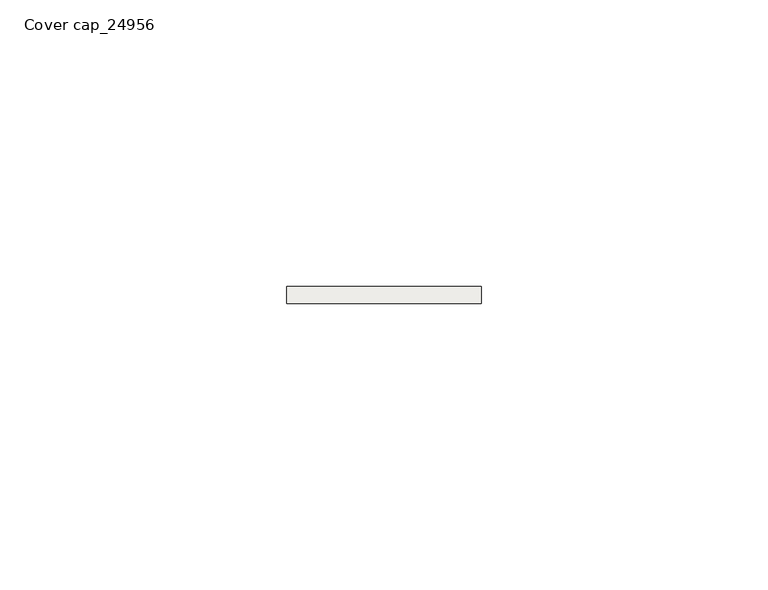
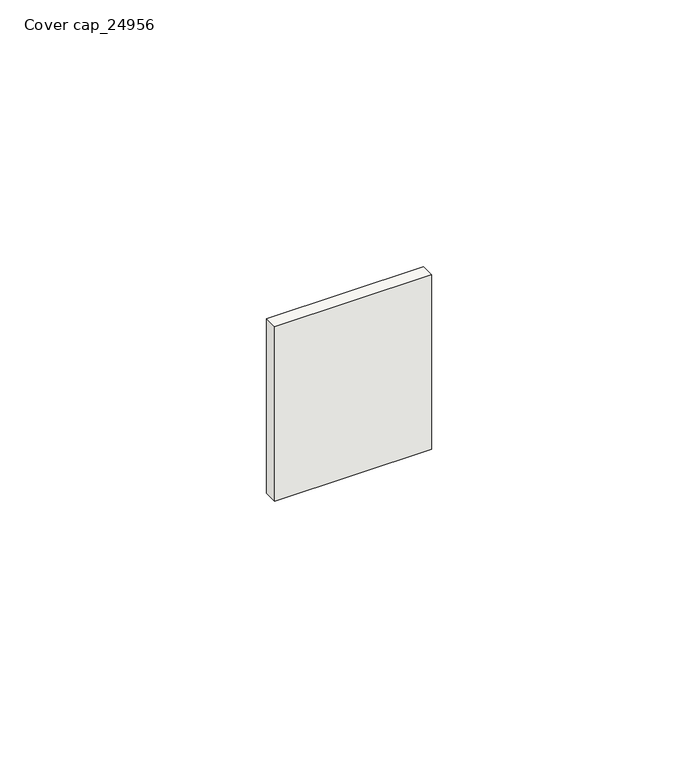
"""IFC4 building model written with IfcOpenShell, lengths in millimetres: covering geometry, Cover cap_24956."""

from ifc_helpers import new_model, si_unit, frame, origin, place, context, project, spatial, polyline, outline, extrude, source, transform, mapped, element, save


def cover_cap_24956_e0cb3eca(model_context):
    return source(origin(), model_context, "Body", "SweptSolid", [
        extrude(outline(polyline([(34.0, 0.0), (34.0, -3.0), (0.0, -3.0), (0.0, 0.0), (34.0, 0.0)])), frame((0.0, 0.0, 2.0), z_axis=(0.0, 0.0, 1.0), x_axis=(1.0, 0.0, 0.0)), (0.0, 0.0, 1.0), 40.0),
    ])


if __name__ == "__main__":
    model = new_model("IFC4")
    model_context = context("Model", 3, world=origin())
    ifc_project = project(units=[si_unit("LENGTHUNIT", "METRE", prefix="MILLI")], contexts=[model_context])
    site = spatial("IfcSite", under=ifc_project)
    building = spatial("IfcBuilding", under=site)
    placement = place(None, origin())
    cover_cap_24956_shape = cover_cap_24956_e0cb3eca(model_context)
    element("IfcCovering", 1, ObjectType="Cover cap_24956", at=placement, inside=building, context=model_context, shape_type="MappedRepresentation", body=[
        mapped(cover_cap_24956_shape, transform((0.0, 0.0, 0.0), x_axis=(1.0, 0.0, 0.0), y_axis=(0.0, 1.0, 0.0), z_axis=(0.0, 0.0, 1.0))),
    ])
    save(model, "model.ifc")
